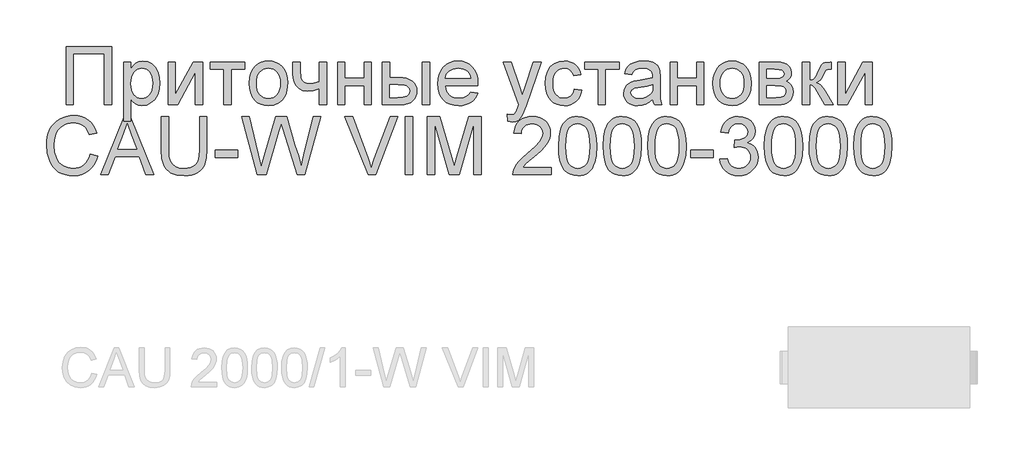
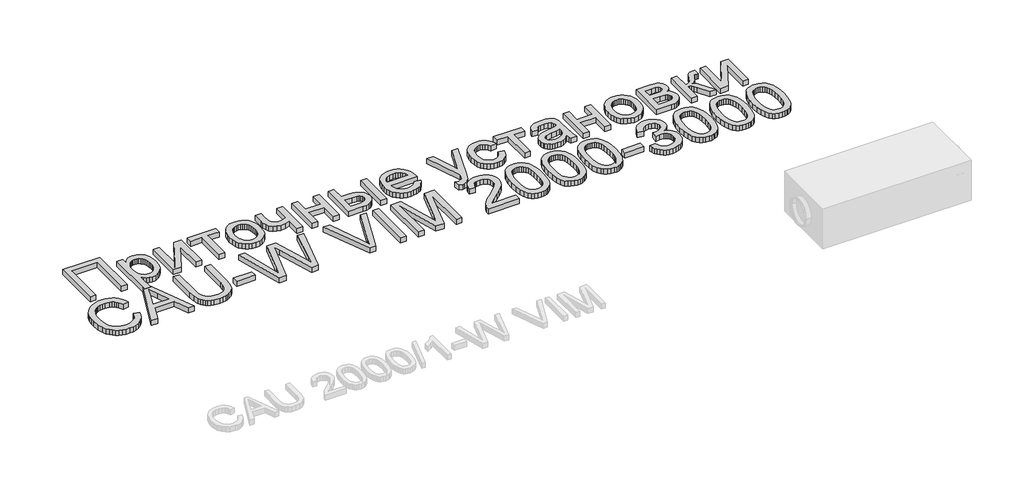
# One storey, part 74 of 74: 1 proxy.
"""IFC4 building model written with IfcOpenShell, lengths in millimetres."""

from ifc_helpers import new_model, si_unit, origin, origin_with_axes, place, context, project, spatial, polyline, outline, extrude, element, save

model = new_model("IFC4")

# Units and contexts
model_context = context("Model", 3, world=origin())
ifc_project = project(units=[si_unit("LENGTHUNIT", "METRE", prefix="MILLI")], contexts=[model_context])

# Site, building, storey
site = spatial("IfcSite", under=ifc_project)
building = spatial("IfcBuilding", under=site)
storey = spatial("IfcBuildingStorey", under=building, Elevation=0.0)

# Proxy
placement = place(None, origin())
element("IfcBuildingElementProxy", 1, Name="Generic Models", at=placement, inside=storey, context=model_context, shape_type="SweptSolid", body=[
    extrude(outline(polyline([(55811.9197938, -1277.4716513), (56163.2136554, -1277.4716513), (56163.2136554, -1727.1277941), (56107.0066376, -1727.1277941), (56107.0066376, -1333.6786691), (55868.1268117, -1333.6786691), (55868.1268117, -1727.1277941), (55811.9197938, -1727.1277941), (55811.9197938, -1277.4716513)])), origin_with_axes(), (0.0, 0.0, 1.0), 50.0),
    extrude(outline(polyline([(56254.5500594, -1853.5935843), (56254.5500594, -1396.9115642), (56310.7570773, -1396.9115642), (56310.7570773, -1452.0207887), (56329.0902257, -1424.8366817), (56349.6189607, -1405.4194624), (56373.550855, -1393.7691308), (56402.0934813, -1389.885687), (56440.1045749, -1395.3197639), (56473.3402676, -1411.6219947), (56500.4008729, -1437.8043653), (56519.8867043, -1472.8788618), (56531.6605376, -1514.2931147), (56535.5851487, -1559.4947545), (56531.1528082, -1607.5643794), (56517.8557866, -1650.5567102), (56496.1194789, -1686.2898827), (56466.36928, -1712.5820326), (56431.7201784, -1728.7607616), (56395.2871627, -1734.1536713), (56369.4478525, -1730.5446758), (56346.3804704, -1719.7176892), (56326.6339131, -1703.3742912), (56310.7570773, -1683.2160614), (56310.7570773, -1853.5935843), (56254.5500594, -1853.5935843)]), holes=[polyline([(56310.7570773, -1564.6543831), (56312.2768349, -1591.7424332), (56316.8361078, -1615.0430964), (56324.4348959, -1634.5563726), (56335.0731993, -1650.2822619), (56347.8796444, -1662.3854332), (56361.982858, -1671.0305556), (56377.3828398, -1676.217629), (56394.0795901, -1677.9466535), (56411.0164826, -1676.1558781), (56426.697774, -1670.7835521), (56441.1234643, -1661.8296753), (56454.2935535, -1649.2942479), (56465.2680561, -1632.9988783), (56473.1069865, -1612.7651752), (56477.8103448, -1588.5931386), (56479.3781308, -1560.4827685), (56477.8480814, -1533.6279995), (56473.2579331, -1510.3685036), (56465.6076859, -1490.7042808), (56454.8973399, -1474.6353311), (56442.0600193, -1462.1479321), (56428.0288484, -1453.2283614), (56412.8038273, -1447.876619), (56396.384956, -1446.0927048), (56380.0175438, -1447.9898289), (56364.6175619, -1453.6812011), (56350.1850104, -1463.1668215), (56336.7198892, -1476.4466901), (56325.361159, -1493.3424153), (56317.2477803, -1513.6756059), (56312.379753, -1537.4462619), (56310.7570773, -1564.6543831)])]), origin_with_axes(), (0.0, 0.0, 1.0), 50.0),
    extrude(outline(polyline([(56598.8180438, -1396.9115642), (56655.0250616, -1396.9115642), (56655.0250616, -1648.7453512), (56793.127461, -1396.9115642), (56865.8013786, -1396.9115642), (56865.8013786, -1727.1277941), (56809.5943607, -1727.1277941), (56809.5943607, -1476.8309177), (56672.370196, -1727.1277941), (56598.8180438, -1727.1277941), (56598.8180438, -1396.9115642)])), origin_with_axes(), (0.0, 0.0, 1.0), 50.0),
    extrude(outline(polyline([(56922.0083964, -1396.9115642), (57188.9917312, -1396.9115642), (57188.9917312, -1453.1185821), (57083.6035727, -1453.1185821), (57083.6035727, -1727.1277941), (57027.3965549, -1727.1277941), (57027.3965549, -1453.1185821), (56922.0083964, -1453.1185821), (56922.0083964, -1396.9115642)])), origin_with_axes(), (0.0, 0.0, 1.0), 50.0),
    extrude(outline(polyline([(57224.1211174, -1562.0196791), (57227.1606326, -1519.2537682), (57236.2791784, -1482.4022188), (57251.4767546, -1451.4650309), (57272.7533613, -1426.4422044), (57294.1740534, -1410.4487281), (57317.817777, -1399.0248163), (57343.6845321, -1392.1704693), (57371.7743186, -1389.885687), (57402.7835492, -1392.6679069), (57430.8218766, -1401.0145667), (57455.8893009, -1414.9256664), (57477.985822, -1434.401206), (57496.0205079, -1458.7825095), (57508.9024263, -1487.4109008), (57516.6315774, -1520.2863801), (57519.2079611, -1557.4089472), (57514.6521188, -1614.1923066), (57508.957316, -1637.4998309), (57500.984592, -1657.4179184), (57478.6033308, -1689.7890989), (57447.9062851, -1714.0091639), (57411.4458246, -1729.1175445), (57371.7743186, -1734.1536713), (57340.3122482, -1731.3817432), (57312.0131949, -1723.0659588), (57286.8771585, -1709.2063182), (57264.9041391, -1689.8028213), (57247.0615671, -1665.1848062), (57234.3168728, -1635.6816107), (57226.6700562, -1601.2932351), (57224.1211174, -1562.0196791)]), holes=[polyline([(57280.3281352, -1561.9098998), (57281.9542416, -1589.1729107), (57286.8325606, -1612.7788977), (57294.9630924, -1632.7278606), (57306.3458369, -1649.0197996), (57320.1917551, -1661.6752981), (57335.7118081, -1670.71494), (57352.9059959, -1676.1387251), (57371.7743186, -1677.9466535), (57390.5465843, -1676.1284333), (57407.6721601, -1670.6737727), (57423.1510458, -1661.5826718), (57436.9832416, -1648.8551306), (57448.3659861, -1632.4019532), (57456.4965178, -1612.1339441), (57461.3748369, -1588.0511032), (57463.0009433, -1560.1534305), (57461.3645451, -1533.7549318), (57456.4553506, -1510.7664536), (57448.2733598, -1491.1879959), (57436.8185726, -1475.0195587), (57422.9349178, -1462.3640602), (57407.4663238, -1453.3244183), (57390.4127907, -1447.9006332), (57371.7743186, -1446.0927048), (57352.9059959, -1447.893772), (57335.7118081, -1453.2969735), (57320.1917551, -1462.3023093), (57306.3458369, -1474.9097794), (57294.9630924, -1491.1536899), (57286.8325606, -1511.0683468), (57281.9542416, -1534.6537501), (57280.3281352, -1561.9098998)])]), origin_with_axes(), (0.0, 0.0, 1.0), 50.0),
    extrude(outline(polyline([(57561.3632245, -1396.9115642), (57617.5702423, -1396.9115642), (57617.5702423, -1460.2542386), (57622.1260846, -1519.6448571), (57629.8792499, -1536.907657), (57644.0270613, -1551.8102013), (57663.5677823, -1562.1020136), (57687.4996767, -1565.5326178), (57721.8880523, -1561.2786687), (57765.1136642, -1548.5168213), (57765.1136642, -1396.9115642), (57821.3206821, -1396.9115642), (57821.3206821, -1727.1277941), (57765.1136642, -1727.1277941), (57765.1136642, -1602.4184732), (57717.1400962, -1616.909345), (57672.4599082, -1621.7396356), (57638.4694826, -1616.7035088), (57608.7330061, -1601.5951282), (57585.5558447, -1579.1864221), (57571.2433643, -1552.2493186), (57563.8332595, -1521.5934402), (57561.3632245, -1488.0284096), (57561.3632245, -1396.9115642)])), origin_with_axes(), (0.0, 0.0, 1.0), 50.0),
    extrude(outline(polyline([(57905.6312088, -1396.9115642), (57961.8382267, -1396.9115642), (57961.8382267, -1523.3773544), (58109.3816486, -1523.3773544), (58109.3816486, -1396.9115642), (58165.5886664, -1396.9115642), (58165.5886664, -1727.1277941), (58109.3816486, -1727.1277941), (58109.3816486, -1579.5843722), (57961.8382267, -1579.5843722), (57961.8382267, -1727.1277941), (57905.6312088, -1727.1277941), (57905.6312088, -1396.9115642)])), origin_with_axes(), (0.0, 0.0, 1.0), 50.0),
    extrude(outline(polyline([(58249.8991932, -1396.9115642), (58306.106211, -1396.9115642), (58306.106211, -1516.3514771), (58375.596528, -1516.3514771), (58407.573189, -1518.1113771), (58435.6595449, -1523.3910768), (58459.8555957, -1532.1905763), (58480.1613415, -1544.5098757), (58496.2268606, -1559.92358), (58507.7022314, -1578.0062943), (58514.5874538, -1598.7580186), (58516.882528, -1622.1787529), (58514.9579591, -1643.0745626), (58509.1842523, -1662.3991556), (58499.5614078, -1680.1525319), (58486.0894254, -1696.3346915), (58468.3909388, -1709.8066739), (58446.0885814, -1719.4295184), (58419.1823533, -1725.2032252), (58387.6722545, -1727.1277941), (58249.8991932, -1727.1277941), (58249.8991932, -1396.9115642)]), holes=[polyline([(58306.106211, -1670.9207762), (58363.8501395, -1670.9207762), (58408.612662, -1667.9704567), (58438.3903058, -1659.1194981), (58455.104209, -1644.0111175), (58460.6755101, -1622.2885323), (58456.5450628, -1603.927939), (58444.1537207, -1587.7080428), (58433.3987768, -1581.0801156), (58417.6557345, -1576.3458819), (58371.2053548, -1572.558495), (58306.106211, -1572.558495), (58306.106211, -1670.9207762)])]), origin_with_axes(), (0.0, 0.0, 1.0), 50.0),
    extrude(outline(polyline([(58559.0377914, -1396.9115642), (58615.2448092, -1396.9115642), (58615.2448092, -1727.1277941), (58559.0377914, -1727.1277941), (58559.0377914, -1396.9115642)])), origin_with_axes(), (0.0, 0.0, 1.0), 50.0),
    extrude(outline(polyline([(58930.7506086, -1628.7655128), (58985.8598332, -1635.7913901), (58977.4102552, -1657.863897), (58966.0034966, -1677.3154223), (58951.6395571, -1694.1459661), (58934.3184369, -1708.3555284), (58914.2185274, -1719.6422159), (58891.51822, -1727.7041356), (58866.2175146, -1732.5412874), (58838.3164113, -1734.1536713), (58803.4408899, -1731.3714514), (58772.3664778, -1723.0247916), (58745.093175, -1709.1136919), (58721.6209817, -1689.6381523), (58702.7457978, -1665.1402083), (58689.2635236, -1636.1618953), (58681.1741591, -1602.7032134), (58678.4777043, -1564.7641624), (58681.201604, -1525.538635), (58689.373303, -1490.9650067), (58702.9928013, -1461.0432776), (58722.060099, -1435.7734476), (58745.4705415, -1415.6975524), (58772.1194743, -1401.3576271), (58802.0068973, -1392.753672), (58835.1328107, -1389.885687), (58867.1918062, -1392.7468108), (58896.1838416, -1401.3301823), (58922.1089169, -1415.6358015), (58944.9670321, -1435.6636683), (58963.6260879, -1460.8786086), (58976.9539849, -1490.745448), (58984.9507231, -1525.2641866), (58987.6163025, -1564.4348244), (58987.2869645, -1579.5843722), (58734.6847222, -1579.5843722), (58737.9403655, -1602.0136619), (58744.4139154, -1621.6573011), (58754.1053721, -1638.5152897), (58767.0147354, -1652.5876278), (58782.4284397, -1663.6822015), (58799.6329193, -1671.6068971), (58818.6281743, -1676.3617144), (58839.4142046, -1677.9466535), (58869.3290725, -1675.0100563), (58894.5234292, -1666.200265), (58914.9972745, -1650.9683827), (58930.7506086, -1628.7655128)]), holes=[polyline([(58734.6847222, -1523.3773544), (58931.4092846, -1523.3773544), (58923.8070659, -1493.6820451), (58908.9045216, -1472.4397444), (58893.5765824, -1460.9129146), (58876.1353911, -1452.6794647), (58856.5809476, -1447.7393948), (58834.913252, -1446.0927048), (58797.0256602, -1451.3483903), (58765.6973834, -1467.1154469), (58753.2408598, -1478.5153443), (58743.9199084, -1491.6922947), (58737.7345292, -1506.6462981), (58734.6847222, -1523.3773544)])]), origin_with_axes(), (0.0, 0.0, 1.0), 50.0),
    extrude(outline(polyline([(59219.4702511, -1853.5935843), (59212.4443739, -1799.4723737), (59240.9870002, -1804.4124436), (59255.9993238, -1802.8618106), (59267.6633778, -1798.2099114), (59284.0204982, -1780.9196666), (59299.3896046, -1739.5328586), (59303.7807779, -1725.9202214), (59184.340865, -1396.9115642), (59243.6217041, -1396.9115642), (59306.9643785, -1580.2430482), (59329.0300242, -1653.5756418), (59351.0956699, -1588.8058361), (59416.1948136, -1396.9115642), (59475.0365354, -1396.9115642), (59360.0975751, -1735.031906), (59330.2375969, -1808.3644996), (59314.9508249, -1831.7749421), (59297.6331353, -1847.9948383), (59277.5160728, -1857.4633057), (59253.831182, -1860.6194615), (59219.4702511, -1853.5935843)])), origin_with_axes(), (0.0, 0.0, 1.0), 50.0),
    extrude(outline(polyline([(59732.359289, -1607.6878812), (59788.5663069, -1614.7137584), (59782.4529703, -1641.2357588), (59772.8953073, -1664.7045216), (59759.8933177, -1685.1200467), (59743.4470015, -1702.4823341), (59724.2493409, -1716.3385441), (59702.9933178, -1726.235837), (59679.6789322, -1732.1742127), (59654.3061842, -1734.1536713), (59622.7823629, -1731.392035), (59594.5176156, -1723.1071261), (59569.5119422, -1709.2989445), (59547.7653427, -1689.9674903), (59530.162913, -1665.4764075), (59517.5897489, -1636.1893402), (59510.0458504, -1602.1062883), (59507.5312176, -1563.2272518), (59511.826334, -1513.2090438), (59524.711683, -1469.8599301), (59534.4271539, -1451.1048174), (59546.3931011, -1434.8540457), (59560.6095245, -1421.107615), (59577.0764243, -1409.8655254), (59613.7838883, -1394.8806466), (59653.5377288, -1389.885687), (59678.4747902, -1391.600989), (59701.0310122, -1396.7468952), (59721.206395, -1405.3234055), (59739.0009386, -1417.3305199), (59754.1127497, -1432.4937901), (59766.2399353, -1450.5387678), (59775.3824953, -1471.4654529), (59781.5404297, -1495.2738454), (59725.3334118, -1502.2997227), (59715.1376564, -1477.7777645), (59699.2608205, -1460.199349), (59678.5811389, -1449.6193659), (59653.9768462, -1446.0927048), (59634.878673, -1447.8285905), (59617.6536098, -1453.0362476), (59602.3016564, -1461.715676), (59588.8228128, -1473.8668758), (59577.8483102, -1489.7711564), (59570.0093798, -1509.7098276), (59565.3060216, -1533.6828891), (59563.7382355, -1561.6903412), (59565.2717155, -1590.1197575), (59569.8721556, -1614.370698), (59577.5395558, -1634.4431627), (59588.2739161, -1650.3371515), (59601.4851726, -1662.4163086), (59616.5832613, -1671.044278), (59633.5681823, -1676.2210596), (59652.4399355, -1677.9466535), (59681.5451809, -1673.6378147), (59705.4084631, -1660.7112984), (59722.7673199, -1638.8377665), (59732.359289, -1607.6878812)])), origin_with_axes(), (0.0, 0.0, 1.0), 50.0),
    extrude(outline(polyline([(59809.6439386, -1396.9115642), (60076.6272734, -1396.9115642), (60076.6272734, -1453.1185821), (59971.2391149, -1453.1185821), (59971.2391149, -1727.1277941), (59915.0320971, -1727.1277941), (59915.0320971, -1453.1185821), (59809.6439386, -1453.1185821), (59809.6439386, -1396.9115642)])), origin_with_axes(), (0.0, 0.0, 1.0), 50.0),
    extrude(outline(polyline([(60336.5847309, -1684.9725307), (60309.7299619, -1707.9987455), (60282.0792927, -1723.0659588), (60253.0014922, -1731.3817432), (60221.8653293, -1734.1536713), (60196.8390722, -1732.4863977), (60174.8934977, -1727.4845769), (60156.0286057, -1719.1482089), (60140.2443961, -1707.4772937), (60127.7810114, -1693.2128418), (60118.8785937, -1677.0958636), (60113.5371431, -1659.1263593), (60111.7566595, -1639.3043287), (60114.4462532, -1616.0036655), (60122.515034, -1594.8436993), (60134.9612658, -1576.7301096), (60150.783212, -1562.5685758), (60169.3770863, -1551.865091), (60190.1391024, -1544.1256481), (60238.7713464, -1535.6726395), (60296.2408265, -1526.7805137), (60336.2553929, -1516.3514771), (60336.5847309, -1503.8366333), (60332.7150095, -1478.752056), (60321.1058452, -1462.3400459), (60295.1430332, -1450.1545401), (60258.9707434, -1446.0927048), (60225.4880472, -1448.7960209), (60202.1050496, -1456.905969), (60186.1596016, -1471.9045702), (60174.9895546, -1495.2738454), (60118.7825368, -1488.2479682), (60128.5391749, -1457.5097553), (60143.0986587, -1433.3583023), (60163.8195076, -1414.8879298), (60192.0602407, -1401.1929581), (60226.599563, -1392.7125048), (60266.2161793, -1389.885687), (60304.2135505, -1392.3831668), (60334.3342546, -1399.8756062), (60357.0448539, -1411.1417101), (60372.8119104, -1424.9601835), (60383.2683918, -1442.044592), (60390.0472655, -1463.1085012), (60392.7917488, -1512.2896419), (60392.7917488, -1582.2190762), (60395.6460114, -1679.8677918), (60406.8435033, -1727.1277941), (60350.6364854, -1727.1277941), (60341.6345802, -1707.587073), (60336.5847309, -1684.9725307)]), holes=[polyline([(60336.5847309, -1572.558495), (60298.8206408, -1581.917183), (60245.9070029, -1589.7938501), (60197.5492073, -1598.9055346), (60184.9657514, -1605.1355117), (60175.6482306, -1613.7257444), (60169.8848157, -1624.0175567), (60167.9636774, -1635.3522728), (60172.1490144, -1652.066176), (60184.7050255, -1665.7611476), (60205.3572623, -1674.900277), (60233.8312764, -1677.9466535), (60264.0205927, -1674.5846614), (60290.6969703, -1664.4986853), (60312.3234986, -1649.6373083), (60327.3632671, -1631.9491135), (60334.0323615, -1613.7257444), (60336.2553929, -1588.4764981), (60336.5847309, -1572.558495)])]), origin_with_axes(), (0.0, 0.0, 1.0), 50.0),
    extrude(outline(polyline([(60470.0763983, -1396.9115642), (60526.2834162, -1396.9115642), (60526.2834162, -1523.3773544), (60673.8268381, -1523.3773544), (60673.8268381, -1396.9115642), (60730.0338559, -1396.9115642), (60730.0338559, -1727.1277941), (60673.8268381, -1727.1277941), (60673.8268381, -1579.5843722), (60526.2834162, -1579.5843722), (60526.2834162, -1727.1277941), (60470.0763983, -1727.1277941), (60470.0763983, -1396.9115642)])), origin_with_axes(), (0.0, 0.0, 1.0), 50.0),
    extrude(outline(polyline([(60800.2926282, -1562.0196791), (60803.3321435, -1519.2537682), (60812.4506892, -1482.4022188), (60827.6482655, -1451.4650309), (60848.9248722, -1426.4422044), (60870.3455643, -1410.4487281), (60893.9892879, -1399.0248163), (60919.8560429, -1392.1704693), (60947.9458294, -1389.885687), (60978.95506, -1392.6679069), (61006.9933875, -1401.0145667), (61032.0608118, -1414.9256664), (61054.1573329, -1434.401206), (61072.1920187, -1458.7825095), (61085.0739372, -1487.4109008), (61092.8030883, -1520.2863801), (61095.3794719, -1557.4089472), (61090.8236297, -1614.1923066), (61085.1288268, -1637.4998309), (61077.1561029, -1657.4179184), (61054.7748416, -1689.7890989), (61024.077796, -1714.0091639), (60987.6173354, -1729.1175445), (60947.9458294, -1734.1536713), (60916.4837591, -1731.3817432), (60888.1847057, -1723.0659588), (60863.0486693, -1709.2063182), (60841.07565, -1689.8028213), (60823.233078, -1665.1848062), (60810.4883837, -1635.6816107), (60802.8415671, -1601.2932351), (60800.2926282, -1562.0196791)]), holes=[polyline([(60856.4996461, -1561.9098998), (60858.1257524, -1589.1729107), (60863.0040715, -1612.7788977), (60871.1346032, -1632.7278606), (60882.5173477, -1649.0197996), (60896.3632659, -1661.6752981), (60911.8833189, -1670.71494), (60929.0775068, -1676.1387251), (60947.9458294, -1677.9466535), (60966.7180951, -1676.1284333), (60983.8436709, -1670.6737727), (60999.3225567, -1661.5826718), (61013.1547525, -1648.8551306), (61024.5374969, -1632.4019532), (61032.6680287, -1612.1339441), (61037.5463477, -1588.0511032), (61039.1724541, -1560.1534305), (61037.5360559, -1533.7549318), (61032.6268614, -1510.7664536), (61024.4448706, -1491.1879959), (61012.9900835, -1475.0195587), (60999.1064286, -1462.3640602), (60983.6378346, -1453.3244183), (60966.5843016, -1447.9006332), (60947.9458294, -1446.0927048), (60929.0775068, -1447.893772), (60911.8833189, -1453.2969735), (60896.3632659, -1462.3023093), (60882.5173477, -1474.9097794), (60871.1346032, -1491.1536899), (60863.0040715, -1511.0683468), (60858.1257524, -1534.6537501), (60856.4996461, -1561.9098998)])]), origin_with_axes(), (0.0, 0.0, 1.0), 50.0),
    extrude(outline(polyline([(61158.612367, -1396.9115642), (61282.4434532, -1396.9115642), (61322.2521834, -1398.7915353), (61350.3419699, -1404.4314484), (61371.0079291, -1415.0800436), (61388.5451774, -1431.9860607), (61400.5248469, -1454.0105391), (61404.5180701, -1480.0145183), (61402.1029248, -1500.9686483), (61394.8574889, -1519.0410708), (61382.7543176, -1534.3141203), (61365.765966, -1546.8701314), (61386.5691494, -1558.5479078), (61403.5300561, -1577.3338959), (61414.8098825, -1601.7460748), (61418.5698246, -1630.3024235), (61415.4479749, -1653.3080547), (61409.0464676, -1673.1438077), (61399.3653028, -1689.8096825), (61386.4044804, -1703.3056791), (61370.1434169, -1713.7278544), (61350.5615286, -1721.1722653), (61327.6588155, -1725.6389119), (61301.4352776, -1727.1277941), (61158.612367, -1727.1277941), (61158.612367, -1396.9115642)]), holes=[polyline([(61214.8193849, -1523.3773544), (61270.3677267, -1523.3773544), (61316.2005977, -1520.5230917), (61338.4858021, -1509.1060412), (61345.8547397, -1499.6650187), (61348.3110523, -1488.4675269), (61344.0022135, -1471.698734), (61331.0756972, -1460.9129146), (61307.7201444, -1455.0671652), (61272.1241961, -1453.1185821), (61214.8193849, -1453.1185821), (61214.8193849, -1523.3773544)]), polyline([(61214.8193849, -1670.9207762), (61283.7608052, -1670.9207762), (61321.3327815, -1668.3821292), (61344.907893, -1660.766188), (61357.559961, -1646.9202698), (61362.3628067, -1625.6916916), (61359.9613839, -1611.6262147), (61352.7571152, -1598.6310863), (61341.6968475, -1588.4627757), (61327.7274276, -1582.8777522), (61278.2718386, -1579.5843722), (61214.8193849, -1579.5843722), (61214.8193849, -1670.9207762)])]), origin_with_axes(), (0.0, 0.0, 1.0), 50.0),
    extrude(outline(polyline([(61488.8285969, -1396.9115642), (61545.0356148, -1396.9115642), (61545.0356148, -1537.4291088), (61567.8971606, -1534.9041842), (61582.6899256, -1527.3294103), (61595.7811109, -1507.5691306), (61613.5379178, -1468.4876885), (61627.8503981, -1436.5281805), (61639.1713917, -1417.7147476), (61649.7376524, -1407.4641025), (61661.7859341, -1401.1929581), (61702.8982938, -1396.9115642), (61713.6566683, -1396.9115642), (61713.6566683, -1453.4479201), (61698.5071205, -1453.1185821), (61680.9424275, -1454.600603), (61671.0622876, -1459.046666), (61651.7411252, -1496.0423008), (61639.871235, -1520.7014832), (61629.0716932, -1536.0568672), (61615.9942303, -1546.3075123), (61597.2905767, -1555.6524779), (61615.1022732, -1563.563451), (61632.7493008, -1577.5260098), (61650.2316594, -1597.5401542), (61667.549349, -1623.6058843), (61727.7084228, -1727.1277941), (61663.8168517, -1727.1277941), (61604.8653506, -1625.8014709), (61588.9473475, -1598.8369225), (61575.224931, -1582.9326418), (61561.3652904, -1575.1520317), (61545.0356148, -1572.558495), (61545.0356148, -1727.1277941), (61488.8285969, -1727.1277941), (61488.8285969, -1396.9115642)])), origin_with_axes(), (0.0, 0.0, 1.0), 50.0),
    extrude(outline(polyline([(61762.8378089, -1396.9115642), (61819.0448268, -1396.9115642), (61819.0448268, -1648.7453512), (61957.1472261, -1396.9115642), (62029.8211437, -1396.9115642), (62029.8211437, -1727.1277941), (61973.6141259, -1727.1277941), (61973.6141259, -1476.8309177), (61836.3899612, -1727.1277941), (61762.8378089, -1727.1277941), (61762.8378089, -1396.9115642)])), origin_with_axes(), (0.0, 0.0, 1.0), 50.0),
    extrude(outline(polyline([(55998.1055405, -2107.7211702), (56054.3125583, -2122.212042), (56043.1905398, -2157.1664674), (56028.3771912, -2187.7091358), (56009.8725126, -2213.8400474), (55987.676504, -2235.5592021), (55962.2900335, -2252.6333188), (55934.2139694, -2264.8291164), (55903.4483117, -2272.146595), (55869.9930603, -2274.5857545), (55835.7178946, -2272.7400895), (55804.7978597, -2267.2030944), (55777.2329556, -2257.9747694), (55753.0231824, -2245.0551143), (55731.8357713, -2228.636243), (55713.3379539, -2208.9102693), (55697.5297302, -2185.8771932), (55684.4111, -2159.5370148), (55666.75035, -2101.4911932), (55660.8634334, -2039.3286466), (55662.5272764, -2005.4274167), (55667.5188054, -1973.7629407), (55675.8380203, -1944.3352186), (55687.4849213, -1917.1442503), (55702.1987824, -1892.6394451), (55719.7188776, -1871.2702121), (55740.045207, -1853.0365512), (55763.1777705, -1837.9384625), (55788.3309599, -1826.0994477), (55814.7191668, -1817.6430085), (55842.3423912, -1812.569145), (55871.200633, -1810.8778572), (55903.3488242, -1813.0665826), (55932.8280053, -1819.6327589), (55959.6381765, -1830.5763861), (55983.7793377, -1845.897464), (56004.8535388, -1865.1911816), (56022.4628297, -1888.0527274), (56036.6072105, -1914.4821015), (56047.2866811, -1944.4793039), (55991.0796632, -1957.8723824), (55971.5938319, -1916.8835244), (55959.175045, -1901.2159554), (55944.9723439, -1888.7662931), (55928.9033942, -1879.2806727), (55910.8858614, -1872.5052296), (55869.0050463, -1867.0848751), (55843.7901061, -1868.5874797), (55820.7295852, -1873.0952935), (55799.8234837, -1880.6083165), (55781.0718016, -1891.1265487), (55764.7112506, -1904.1765668), (55750.9785423, -1919.2849473), (55739.8736768, -1936.4516903), (55731.396654, -1955.6767958), (55720.6520019, -1996.8166004), (55717.0704512, -2039.2188672), (55721.3106779, -2091.1444912), (55734.031358, -2136.0442378), (55743.6919392, -2155.4305817), (55755.712776, -2172.2028052), (55770.0938684, -2186.3609084), (55786.8352165, -2197.9048913), (55824.1464669, -2213.2602753), (55864.3943144, -2218.3787366), (55888.8305075, -2216.6359898), (55911.3112563, -2211.4077491), (55931.8365608, -2202.6940146), (55950.4064208, -2190.4947864), (55966.5817192, -2174.864954), (55979.9233387, -2155.8594072), (55990.4312791, -2133.478146), (55998.1055405, -2107.7211702)])), origin_with_axes(), (0.0, 0.0, 1.0), 50.0),
    extrude(outline(polyline([(56079.2324666, -2267.5598773), (56258.721674, -1817.9037344), (56306.5854627, -1817.9037344), (56486.0746701, -2267.5598773), (56426.6840516, -2267.5598773), (56375.197545, -2127.0423326), (56189.9998124, -2127.0423326), (56138.6230851, -2267.5598773), (56079.2324666, -2267.5598773)]), holes=[polyline([(56210.6383267, -2070.8353148), (56354.66881, -2070.8353148), (56314.1602366, -1960.2875277), (56282.6535684, -1874.1107523), (56254.6598388, -1950.6269465), (56210.6383267, -2070.8353148)])]), origin_with_axes(), (0.0, 0.0, 1.0), 50.0),
    extrude(outline(polyline([(56841.2108083, -1817.9037344), (56897.4178261, -1817.9037344), (56897.4178261, -2077.3122954), (56893.6029943, -2138.0614331), (56882.158499, -2184.8411508), (56872.998786, -2203.8123916), (56860.7789741, -2220.9311061), (56845.4990634, -2236.1972944), (56827.1590538, -2249.6109565), (56805.7383617, -2260.5374306), (56781.2164035, -2268.342055), (56753.5931791, -2273.0248296), (56722.8686886, -2274.5857545), (56665.7971586, -2269.1516776), (56641.5530793, -2262.3590814), (56620.1701238, -2252.8494468), (56601.6448616, -2240.7634285), (56585.973862, -2226.2416813), (56573.157125, -2209.2842051), (56563.1946506, -2189.8910001), (56550.3916361, -2141.1352543), (56546.1239645, -2077.3122954), (56546.1239645, -1817.9037344), (56602.3309824, -1817.9037344), (56602.3309824, -2075.3362674), (56605.1029105, -2125.8484824), (56613.4186949, -2161.0190358), (56628.4859082, -2185.376325), (56651.512123, -2203.4487475), (56681.5367702, -2214.6462394), (56717.5992807, -2218.3787366), (56748.5776359, -2216.5330716), (56774.7668677, -2210.9960766), (56796.1669762, -2201.7677515), (56812.7779613, -2188.8480964), (56825.2173319, -2170.679617), (56834.1025965, -2145.704819), (56839.4337553, -2113.9237025), (56841.2108083, -2075.3362674), (56841.2108083, -1817.9037344)])), origin_with_axes(), (0.0, 0.0, 1.0), 50.0),
    extrude(outline(polyline([(56960.6507212, -2134.0682099), (56960.6507212, -2077.861192), (57136.297652, -2077.861192), (57136.297652, -2134.0682099), (56960.6507212, -2134.0682099)])), origin_with_axes(), (0.0, 0.0, 1.0), 50.0),
    extrude(outline(polyline([(57287.0246745, -2267.5598773), (57164.4011609, -1817.9037344), (57222.3646481, -1817.9037344), (57293.501655, -2113.4296955), (57315.4575214, -2204.6563202), (57338.9502984, -2123.9685113), (57428.0911158, -1817.9037344), (57511.6331872, -1817.9037344), (57576.4029929, -2039.7677639), (57604.149719, -2122.1022627), (57624.5961196, -2204.6563202), (57645.8933099, -2116.0643995), (57717.6889929, -1817.9037344), (57775.6524801, -1817.9037344), (57652.9191872, -2267.5598773), (57592.8698927, -2267.5598773), (57485.0665889, -1920.657189), (57470.0268205, -1872.2445037), (57453.1208034, -1930.5373288), (57354.8683015, -2267.5598773), (57287.0246745, -2267.5598773)])), origin_with_axes(), (0.0, 0.0, 1.0), 50.0),
    extrude(outline(polyline([(58140.3394201, -2267.5598773), (57961.3991094, -1817.9037344), (58021.5581832, -1817.9037344), (58141.3274341, -2141.8625424), (58165.5886664, -2214.865798), (58189.5205607, -2141.8625424), (58309.6191496, -1817.9037344), (58369.7782234, -1817.9037344), (58198.4126866, -2267.5598773), (58140.3394201, -2267.5598773)])), origin_with_axes(), (0.0, 0.0, 1.0), 50.0),
    extrude(outline(polyline([(58429.0590626, -2267.5598773), (58429.0590626, -1817.9037344), (58485.2660804, -1817.9037344), (58485.2660804, -2267.5598773), (58429.0590626, -2267.5598773)])), origin_with_axes(), (0.0, 0.0, 1.0), 50.0),
    extrude(outline(polyline([(58597.6801161, -2267.5598773), (58597.6801161, -1817.9037344), (58694.3957074, -1817.9037344), (58786.3907874, -2134.8366652), (58804.9434945, -2201.0336022), (58825.0331122, -2129.3476986), (58915.4912815, -1817.9037344), (59012.2068728, -1817.9037344), (59012.2068728, -2267.5598773), (58955.9998549, -2267.5598773), (58955.9998549, -1874.1107523), (58843.0369226, -2267.5598773), (58766.8500664, -2267.5598773), (58653.887134, -1874.1107523), (58653.887134, -2267.5598773), (58597.6801161, -2267.5598773)])), origin_with_axes(), (0.0, 0.0, 1.0), 50.0),
    extrude(outline(polyline([(59553.1994196, -2211.3528594), (59553.1994196, -2267.5598773), (59258.1125759, -2267.5598773), (59259.3475934, -2247.7721527), (59264.1504392, -2228.8077732), (59278.0100798, -2198.5224), (59298.2918113, -2169.1427064), (59327.6303377, -2138.3907711), (59368.660363, -2103.988673), (59429.3134438, -2050.1144659), (59465.7052922, -2010.346903), (59483.9012165, -1978.0717795), (59489.9665245, -1946.6748906), (59484.2442769, -1918.5302144), (59467.0775339, -1895.1334943), (59440.689327, -1879.3664378), (59407.3026877, -1874.1107523), (59372.2419137, -1879.2429361), (59357.6446931, -1885.6581658), (59345.002917, -1894.6394873), (59334.7762861, -1905.8850076), (59327.4245015, -1919.0928335), (59322.9475631, -1934.2629649), (59321.345471, -1951.3954018), (59265.1384531, -1944.3695246), (59269.9721743, -1915.353475), (59278.7648127, -1890.0013106), (59291.5163682, -1868.3130313), (59308.2268408, -1850.2886373), (59328.512003, -1836.1202423), (59351.987627, -1825.9999602), (59378.6537128, -1819.9277909), (59408.5102604, -1817.9037344), (59438.6343951, -1820.1542107), (59465.4445663, -1826.9056397), (59488.9407739, -1838.1580212), (59509.1230179, -1853.9113553), (59525.3326224, -1872.9992366), (59536.9109113, -1894.2552597), (59543.8578846, -1917.6794246), (59546.1735424, -1943.2717313), (59543.6760626, -1970.1539452), (59536.1836232, -1996.5695969), (59522.8866017, -2023.4380883), (59502.9753754, -2051.6788214), (59471.2354261, -2085.3947987), (59422.4522355, -2128.6890226), (59357.7922091, -2182.7553435), (59332.4331835, -2211.3528594), (59553.1994196, -2211.3528594)])), origin_with_axes(), (0.0, 0.0, 1.0), 50.0),
    extrude(outline(polyline([(59609.4064375, -2046.3545238), (59613.5368848, -1974.3804494), (59625.9282269, -1916.9795813), (59635.190858, -1893.524541), (59646.4569619, -1873.2736849), (59659.7265387, -1856.227013), (59674.9995882, -1842.3845254), (59692.3275696, -1831.6741794), (59711.7619419, -1824.0239322), (59733.3027052, -1819.4337839), (59756.9498593, -1817.9037344), (59791.5852385, -1821.5264524), (59822.5978997, -1832.3946062), (59848.5332668, -1850.0828011), (59867.9367637, -1874.165642), (59882.5923045, -1904.4372927), (59894.2838034, -1940.691917), (59901.9409117, -1986.7306243), (59904.4932812, -2046.3545238), (59900.4040011, -2117.9169257), (59888.1361608, -2175.1805696), (59878.9455723, -2198.6459018), (59867.7309275, -2218.9276333), (59854.4922262, -2236.0257642), (59839.2294685, -2249.9402945), (59821.8809035, -2260.7226833), (59802.3847803, -2268.4243895), (59780.7410989, -2273.0454132), (59756.9498593, -2274.5857545), (59725.9920878, -2271.9098833), (59698.5472549, -2263.8822697), (59674.6153605, -2250.5029136), (59654.1964048, -2231.7718151), (59634.6007941, -2197.9117525), (59620.6039293, -2155.7221831), (59612.2058104, -2105.2031068), (59609.4064375, -2046.3545238)]), holes=[polyline([(59665.6134553, -2046.2447445), (59667.2601453, -2095.1068389), (59672.2002152, -2134.6582738), (59680.4336651, -2164.8990491), (59691.960495, -2185.8291648), (59705.9024701, -2200.0696025), (59721.3813559, -2210.2413437), (59738.3971523, -2216.3443884), (59756.9498593, -2218.3787366), (59775.5025664, -2216.3375272), (59792.5183628, -2210.2138988), (59807.9972486, -2200.0078516), (59821.9392237, -2185.7193855), (59833.4660536, -2164.7549637), (59841.6995034, -2134.5210496), (59846.6395734, -2095.0176432), (59848.2862634, -2046.2447445), (59846.694463, -1998.6759878), (59841.9190621, -1959.8209656), (59833.9600606, -1929.6796778), (59822.8174584, -1908.2521245), (59809.1087643, -1893.3152741), (59793.4514871, -1882.6460953), (59775.8456268, -1876.2445881), (59756.2911834, -1874.1107523), (59737.8345332, -1875.9907234), (59721.1069075, -1881.6306365), (59706.1083063, -1891.0304918), (59692.8387296, -1904.1902892), (59680.9276721, -1927.5183972), (59672.4197739, -1958.9701757), (59667.315035, -1998.5456248), (59665.6134553, -2046.2447445)])]), origin_with_axes(), (0.0, 0.0, 1.0), 50.0),
    extrude(outline(polyline([(59953.6744218, -2046.3545238), (59957.8048692, -1974.3804494), (59970.1962113, -1916.9795813), (59979.4588424, -1893.524541), (59990.7249463, -1873.2736849), (60003.994523, -1856.227013), (60019.2675725, -1842.3845254), (60036.5955539, -1831.6741794), (60056.0299263, -1824.0239322), (60077.5706895, -1819.4337839), (60101.2178437, -1817.9037344), (60135.8532229, -1821.5264524), (60166.8658841, -1832.3946062), (60192.8012512, -1850.0828011), (60212.2047481, -1874.165642), (60226.8602889, -1904.4372927), (60238.5517877, -1940.691917), (60246.2088961, -1986.7306243), (60248.7612655, -2046.3545238), (60244.6719854, -2117.9169257), (60232.4041451, -2175.1805696), (60223.2135567, -2198.6459018), (60211.9989118, -2218.9276333), (60198.7602105, -2236.0257642), (60183.4974528, -2249.9402945), (60166.1488878, -2260.7226833), (60146.6527646, -2268.4243895), (60125.0090832, -2273.0454132), (60101.2178437, -2274.5857545), (60070.2600721, -2271.9098833), (60042.8152392, -2263.8822697), (60018.8833449, -2250.5029136), (59998.4643892, -2231.7718151), (59978.8687785, -2197.9117525), (59964.8719137, -2155.7221831), (59956.4737948, -2105.2031068), (59953.6744218, -2046.3545238)]), holes=[polyline([(60009.8814397, -2046.2447445), (60011.5281297, -2095.1068389), (60016.4681996, -2134.6582738), (60024.7016495, -2164.8990491), (60036.2284793, -2185.8291648), (60050.1704544, -2200.0696025), (60065.6493402, -2210.2413437), (60082.6651366, -2216.3443884), (60101.2178437, -2218.3787366), (60119.7705508, -2216.3375272), (60136.7863472, -2210.2138988), (60152.2652329, -2200.0078516), (60166.2072081, -2185.7193855), (60177.7340379, -2164.7549637), (60185.9674878, -2134.5210496), (60190.9075577, -2095.0176432), (60192.5542477, -2046.2447445), (60190.9624474, -1998.6759878), (60186.1870465, -1959.8209656), (60178.2280449, -1929.6796778), (60167.0854427, -1908.2521245), (60153.3767487, -1893.3152741), (60137.7194715, -1882.6460953), (60120.1136112, -1876.2445881), (60100.5591677, -1874.1107523), (60082.1025175, -1875.9907234), (60065.3748919, -1881.6306365), (60050.3762907, -1891.0304918), (60037.1067139, -1904.1902892), (60025.1956565, -1927.5183972), (60016.6877582, -1958.9701757), (60011.5830193, -1998.5456248), (60009.8814397, -2046.2447445)])]), origin_with_axes(), (0.0, 0.0, 1.0), 50.0),
    extrude(outline(polyline([(60297.9424062, -2046.3545238), (60302.0728535, -1974.3804494), (60314.4641956, -1916.9795813), (60323.7268267, -1893.524541), (60334.9929306, -1873.2736849), (60348.2625074, -1856.227013), (60363.5355569, -1842.3845254), (60380.8635383, -1831.6741794), (60400.2979106, -1824.0239322), (60421.8386739, -1819.4337839), (60445.485828, -1817.9037344), (60480.1212072, -1821.5264524), (60511.1338684, -1832.3946062), (60537.0692355, -1850.0828011), (60556.4727324, -1874.165642), (60571.1282732, -1904.4372927), (60582.819772, -1940.691917), (60590.4768804, -1986.7306243), (60593.0292499, -2046.3545238), (60588.9399698, -2117.9169257), (60576.6721295, -2175.1805696), (60567.481541, -2198.6459018), (60556.2668962, -2218.9276333), (60543.0281949, -2236.0257642), (60527.7654372, -2249.9402945), (60510.4168722, -2260.7226833), (60490.920749, -2268.4243895), (60469.2770676, -2273.0454132), (60445.485828, -2274.5857545), (60414.5280565, -2271.9098833), (60387.0832235, -2263.8822697), (60363.1513292, -2250.5029136), (60342.7323735, -2231.7718151), (60323.1367628, -2197.9117525), (60309.139898, -2155.7221831), (60300.7417791, -2105.2031068), (60297.9424062, -2046.3545238)]), holes=[polyline([(60354.149424, -2046.2447445), (60355.796114, -2095.1068389), (60360.7361839, -2134.6582738), (60368.9696338, -2164.8990491), (60380.4964636, -2185.8291648), (60394.4384388, -2200.0696025), (60409.9173245, -2210.2413437), (60426.933121, -2216.3443884), (60445.485828, -2218.3787366), (60464.0385351, -2216.3375272), (60481.0543315, -2210.2138988), (60496.5332173, -2200.0078516), (60510.4751924, -2185.7193855), (60522.0020223, -2164.7549637), (60530.2354721, -2134.5210496), (60535.1755421, -2095.0176432), (60536.822232, -2046.2447445), (60535.2304317, -1998.6759878), (60530.4550308, -1959.8209656), (60522.4960292, -1929.6796778), (60511.3534271, -1908.2521245), (60497.644733, -1893.3152741), (60481.9874558, -1882.6460953), (60464.3815955, -1876.2445881), (60444.827152, -1874.1107523), (60426.3705019, -1875.9907234), (60409.6428762, -1881.6306365), (60394.644275, -1891.0304918), (60381.3746983, -1904.1902892), (60369.4636408, -1927.5183972), (60360.9557426, -1958.9701757), (60355.8510037, -1998.5456248), (60354.149424, -2046.2447445)])]), origin_with_axes(), (0.0, 0.0, 1.0), 50.0),
    extrude(outline(polyline([(60628.1586361, -2134.0682099), (60628.1586361, -2077.861192), (60803.8055668, -2077.861192), (60803.8055668, -2134.0682099), (60628.1586361, -2134.0682099)])), origin_with_axes(), (0.0, 0.0, 1.0), 50.0),
    extrude(outline(polyline([(60852.9867075, -2148.1199643), (60909.1937253, -2141.0940871), (60921.7771812, -2176.4155871), (60940.2063865, -2200.2651469), (60965.3870207, -2213.8503392), (60998.2247634, -2218.3787366), (61018.5888294, -2216.8212424), (61036.7573088, -2212.1487596), (61052.7302016, -2204.3612882), (61066.5075077, -2193.4588283), (61077.6020814, -2180.2578637), (61085.5267769, -2165.5748781), (61090.2815942, -2149.4098715), (61091.8665333, -2131.7628439), (61090.2953166, -2114.9563143), (61085.5816666, -2099.6661118), (61077.7255832, -2085.8922363), (61066.7270664, -2073.6346877), (61053.3065431, -2063.5727259), (61038.1844401, -2056.3856102), (61002.8354953, -2050.6359177), (60963.4247152, -2056.7835603), (60969.6821371, -2000.5765425), (60978.6840423, -2001.2352185), (61012.3588523, -1997.200828), (61042.465834, -1985.0976567), (61054.8571761, -1975.9448049), (61063.7081347, -1964.6238113), (61069.0187099, -1951.1346759), (61070.7889016, -1935.4773987), (61065.6567179, -1911.202444), (61050.2601666, -1891.5107764), (61026.7673896, -1878.4607583), (60997.3465287, -1874.1107523), (60967.8707781, -1878.5019256), (60943.7742148, -1891.6754454), (60926.1820769, -1913.6313117), (60916.2196025, -1944.3695246), (60860.0125847, -1937.3436474), (60866.6748179, -1910.509462), (60876.561819, -1886.8725996), (60889.6735879, -1866.4330603), (60906.0101247, -1849.190844), (60925.0568387, -1835.5027336), (60946.2991394, -1825.7255118), (60969.7370268, -1819.8591788), (60995.3705007, -1817.9037344), (61030.7057231, -1821.7597335), (61063.1592381, -1833.3277306), (61090.5217365, -1851.5785445), (61110.5839094, -1875.4829939), (61122.892917, -1903.0238838), (61126.9959195, -1932.1840188), (61123.0987532, -1959.3544034), (61111.4072544, -1983.9998634), (61092.086092, -2004.9951606), (61065.299935, -2021.2150568), (61100.4842109, -2035.4314803), (61114.6594671, -2046.2859117), (61126.5568022, -2059.6378229), (61135.9703799, -2075.157876), (61142.6943639, -2092.5167328), (61148.0735512, -2132.7508579), (61145.3839576, -2161.2660393), (61137.3151767, -2187.5307444), (61123.8672085, -2211.5449732), (61105.0400531, -2233.3087258), (61082.103034, -2251.3674258), (61056.3254747, -2264.2664973), (61027.7073751, -2272.0059402), (60996.2487354, -2274.5857545), (60967.8158885, -2272.3833067), (60941.9079662, -2265.7759631), (60918.5249685, -2254.7637239), (60897.6668955, -2239.346589), (60880.1776757, -2220.4302379), (60866.9012378, -2198.9203501), (60857.8375817, -2174.8169256), (60852.9867075, -2148.1199643)])), origin_with_axes(), (0.0, 0.0, 1.0), 50.0),
    extrude(outline(polyline([(61197.2546918, -2046.3545238), (61201.3851392, -1974.3804494), (61213.7764812, -1916.9795813), (61223.0391123, -1893.524541), (61234.3052163, -1873.2736849), (61247.574793, -1856.227013), (61262.8478425, -1842.3845254), (61280.1758239, -1831.6741794), (61299.6101962, -1824.0239322), (61321.1509595, -1819.4337839), (61344.7981137, -1817.9037344), (61379.4334928, -1821.5264524), (61410.446154, -1832.3946062), (61436.3815212, -1850.0828011), (61455.7850181, -1874.165642), (61470.4405588, -1904.4372927), (61482.1320577, -1940.691917), (61489.7891661, -1986.7306243), (61492.3415355, -2046.3545238), (61488.2522554, -2117.9169257), (61475.9844151, -2175.1805696), (61466.7938267, -2198.6459018), (61455.5791818, -2218.9276333), (61442.3404805, -2236.0257642), (61427.0777228, -2249.9402945), (61409.7291578, -2260.7226833), (61390.2330346, -2268.4243895), (61368.5893532, -2273.0454132), (61344.7981137, -2274.5857545), (61313.8403421, -2271.9098833), (61286.3955092, -2263.8822697), (61262.4636149, -2250.5029136), (61242.0446592, -2231.7718151), (61222.4490484, -2197.9117525), (61208.4521836, -2155.7221831), (61200.0540648, -2105.2031068), (61197.2546918, -2046.3545238)]), holes=[polyline([(61253.4617097, -2046.2447445), (61255.1083996, -2095.1068389), (61260.0484696, -2134.6582738), (61268.2819194, -2164.8990491), (61279.8087493, -2185.8291648), (61293.7507244, -2200.0696025), (61309.2296102, -2210.2413437), (61326.2454066, -2216.3443884), (61344.7981137, -2218.3787366), (61363.3508207, -2216.3375272), (61380.3666172, -2210.2138988), (61395.8455029, -2200.0078516), (61409.7874781, -2185.7193855), (61421.3143079, -2164.7549637), (61429.5477578, -2134.5210496), (61434.4878277, -2095.0176432), (61436.1345177, -2046.2447445), (61434.5427174, -1998.6759878), (61429.7673164, -1959.8209656), (61421.8083149, -1929.6796778), (61410.6657127, -1908.2521245), (61396.9570187, -1893.3152741), (61381.2997415, -1882.6460953), (61363.6938811, -1876.2445881), (61344.1394377, -1874.1107523), (61325.6827875, -1875.9907234), (61308.9551619, -1881.6306365), (61293.9565607, -1891.0304918), (61280.6869839, -1904.1902892), (61268.7759264, -1927.5183972), (61260.2680282, -1958.9701757), (61255.1632893, -1998.5456248), (61253.4617097, -2046.2447445)])]), origin_with_axes(), (0.0, 0.0, 1.0), 50.0),
    extrude(outline(polyline([(61541.5226761, -2046.3545238), (61545.6531235, -1974.3804494), (61558.0444656, -1916.9795813), (61567.3070967, -1893.524541), (61578.5732006, -1873.2736849), (61591.8427773, -1856.227013), (61607.1158269, -1842.3845254), (61624.4438083, -1831.6741794), (61643.8781806, -1824.0239322), (61665.4189438, -1819.4337839), (61689.066098, -1817.9037344), (61723.7014772, -1821.5264524), (61754.7141384, -1832.3946062), (61780.6495055, -1850.0828011), (61800.0530024, -1874.165642), (61814.7085432, -1904.4372927), (61826.400042, -1940.691917), (61834.0571504, -1986.7306243), (61836.6095199, -2046.3545238), (61832.5202398, -2117.9169257), (61820.2523994, -2175.1805696), (61811.061811, -2198.6459018), (61799.8471662, -2218.9276333), (61786.6084649, -2236.0257642), (61771.3457072, -2249.9402945), (61753.9971421, -2260.7226833), (61734.5010189, -2268.4243895), (61712.8573376, -2273.0454132), (61689.066098, -2274.5857545), (61658.1083265, -2271.9098833), (61630.6634935, -2263.8822697), (61606.7315992, -2250.5029136), (61586.3126435, -2231.7718151), (61566.7170328, -2197.9117525), (61552.720168, -2155.7221831), (61544.3220491, -2105.2031068), (61541.5226761, -2046.3545238)]), holes=[polyline([(61597.729694, -2046.2447445), (61599.376384, -2095.1068389), (61604.3164539, -2134.6582738), (61612.5499038, -2164.8990491), (61624.0767336, -2185.8291648), (61638.0187088, -2200.0696025), (61653.4975945, -2210.2413437), (61670.5133909, -2216.3443884), (61689.066098, -2218.3787366), (61707.6188051, -2216.3375272), (61724.6346015, -2210.2138988), (61740.1134873, -2200.0078516), (61754.0554624, -2185.7193855), (61765.5822922, -2164.7549637), (61773.8157421, -2134.5210496), (61778.755812, -2095.0176432), (61780.402502, -2046.2447445), (61778.8107017, -1998.6759878), (61774.0353008, -1959.8209656), (61766.0762992, -1929.6796778), (61754.9336971, -1908.2521245), (61741.225003, -1893.3152741), (61725.5677258, -1882.6460953), (61707.9618655, -1876.2445881), (61688.407422, -1874.1107523), (61669.9507719, -1875.9907234), (61653.2231462, -1881.6306365), (61638.224545, -1891.0304918), (61624.9549683, -1904.1902892), (61613.0439108, -1927.5183972), (61604.5360126, -1958.9701757), (61599.4312736, -1998.5456248), (61597.729694, -2046.2447445)])]), origin_with_axes(), (0.0, 0.0, 1.0), 50.0),
    extrude(outline(polyline([(61885.7906605, -2046.3545238), (61889.9211079, -1974.3804494), (61902.3124499, -1916.9795813), (61911.575081, -1893.524541), (61922.841185, -1873.2736849), (61936.1107617, -1856.227013), (61951.3838112, -1842.3845254), (61968.7117926, -1831.6741794), (61988.1461649, -1824.0239322), (62009.6869282, -1819.4337839), (62033.3340824, -1817.9037344), (62067.9694615, -1821.5264524), (62098.9821227, -1832.3946062), (62124.9174899, -1850.0828011), (62144.3209867, -1874.165642), (62158.9765275, -1904.4372927), (62170.6680264, -1940.691917), (62178.3251348, -1986.7306243), (62180.8775042, -2046.3545238), (62176.7882241, -2117.9169257), (62164.5203838, -2175.1805696), (62155.3297954, -2198.6459018), (62144.1151505, -2218.9276333), (62130.8764492, -2236.0257642), (62115.6136915, -2249.9402945), (62098.2651265, -2260.7226833), (62078.7690033, -2268.4243895), (62057.1253219, -2273.0454132), (62033.3340824, -2274.5857545), (62002.3763108, -2271.9098833), (61974.9314779, -2263.8822697), (61950.9995835, -2250.5029136), (61930.5806278, -2231.7718151), (61910.9850171, -2197.9117525), (61896.9881523, -2155.7221831), (61888.5900335, -2105.2031068), (61885.7906605, -2046.3545238)]), holes=[polyline([(61941.9976783, -2046.2447445), (61943.6443683, -2095.1068389), (61948.5844383, -2134.6582738), (61956.8178881, -2164.8990491), (61968.344718, -2185.8291648), (61982.2866931, -2200.0696025), (61997.7655789, -2210.2413437), (62014.7813753, -2216.3443884), (62033.3340824, -2218.3787366), (62051.8867894, -2216.3375272), (62068.9025858, -2210.2138988), (62084.3814716, -2200.0078516), (62098.3234467, -2185.7193855), (62109.8502766, -2164.7549637), (62118.0837265, -2134.5210496), (62123.0237964, -2095.0176432), (62124.6704864, -2046.2447445), (62123.0786861, -1998.6759878), (62118.3032851, -1959.8209656), (62110.3442836, -1929.6796778), (62099.2016814, -1908.2521245), (62085.4929873, -1893.3152741), (62069.8357102, -1882.6460953), (62052.2298498, -1876.2445881), (62032.6754064, -1874.1107523), (62014.2187562, -1875.9907234), (61997.4911305, -1881.6306365), (61982.4925293, -1891.0304918), (61969.2229526, -1904.1902892), (61957.3118951, -1927.5183972), (61948.8039969, -1958.9701757), (61943.699258, -1998.5456248), (61941.9976783, -2046.2447445)])]), origin_with_axes(), (0.0, 0.0, 1.0), 50.0),
])

save(model, "model.ifc")
